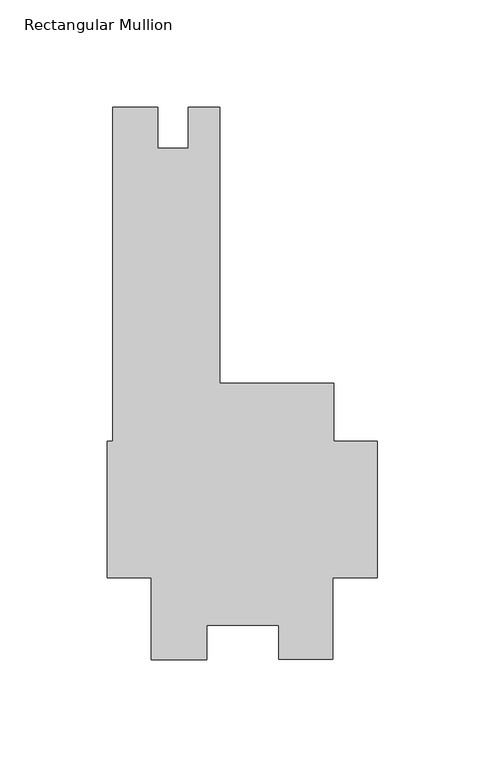
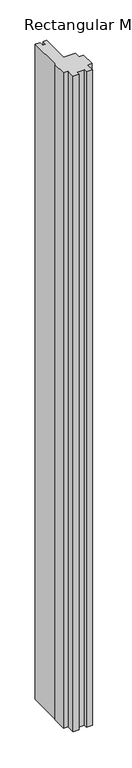
"""IFC4 building model written with IfcOpenShell, lengths in millimetres: member geometry, Rectangular Mullion."""

import ifcopenshell
import ifcopenshell.guid

model = None  # the IFC model being written
_history = None  # IfcOwnerHistory: only IFC2X3 demands one
_inside = {}  # id of a spatial element -> (the spatial element, [elements in it])
_under = {}  # id of a project, library or spatial element -> (it, [spatial elements below it])
_declared = {}  # id of a project -> (the project, [libraries it declares])
_typed = {}  # id of a type object -> (the type object, [elements of that type])
_made_of = {}  # id of a material, layer set ... -> (it, [elements and type objects made of it])


def new_model(schema):
    """Start an empty IFC model of exactly this schema.

    Asked for "IFC4X3", IfcOpenShell would pick the latest addendum, in which some entities
    have other attributes; the version numbers below select the first issue.
    IFC2X3 requires an IfcOwnerHistory on every rooted entity: one is made here for all.
    """
    global model, _history
    if schema == "IFC4X3":
        model = ifcopenshell.file(schema_version=(4, 3, 0, 0))
    else:
        model = ifcopenshell.file(schema=schema)
    _inside.clear()
    _under.clear()
    _declared.clear()
    _typed.clear()
    _made_of.clear()
    _history = None
    if model.schema == "IFC2X3":
        org = make("IfcOrganization", Name="unknown")
        user = make(
            "IfcPersonAndOrganization",
            ThePerson=make("IfcPerson", FamilyName="unknown"),
            TheOrganization=org,
        )
        app = make(
            "IfcApplication",
            ApplicationDeveloper=org,
            Version="unknown",
            ApplicationFullName="unknown",
            ApplicationIdentifier="unknown",
        )
        _history = make(
            "IfcOwnerHistory",
            OwningUser=user,
            OwningApplication=app,
            ChangeAction="ADDED",
            CreationDate=0,
        )
    return model


def make(cls, **values):
    """One entity of the class cls with the attributes given. An attribute that is None is left unset."""
    return model.create_entity(
        cls, **{name: value for name, value in values.items() if value is not None}
    )


def rooted(cls, **values):
    """An entity with a GlobalId (a new one), such as an element, a storey or a relation."""
    return make(cls, GlobalId=ifcopenshell.guid.new(), OwnerHistory=_history, **values)


def si_unit(unit_type, name, prefix=None):
    """IfcSIUnit, for example si_unit("LENGTHUNIT", "METRE", prefix="MILLI")."""
    return make("IfcSIUnit", UnitType=unit_type, Prefix=prefix, Name=name)


def assignment(units):
    """IfcUnitAssignment: the units of a project."""
    return None if units is None else make("IfcUnitAssignment", Units=units)


def point(xyz):
    """IfcCartesianPoint."""
    return None if xyz is None else make("IfcCartesianPoint", Coordinates=xyz)


def direction(xyz):
    """IfcDirection."""
    return None if xyz is None else make("IfcDirection", DirectionRatios=xyz)


def frame(location, z_axis=None, x_axis=None):
    """IfcAxis2Placement3D, a coordinate frame: its origin and axes. An axis left out is left unset."""
    return make(
        "IfcAxis2Placement3D",
        Location=point(location),
        Axis=direction(z_axis),
        RefDirection=direction(x_axis),
    )


def origin():
    """The frame at (0, 0, 0) with its axes left unset."""
    return frame((0.0, 0.0, 0.0))


def place(relative_to, where):
    """IfcLocalPlacement: puts the frame where relative to a parent placement (None: the world)."""
    return make(
        "IfcLocalPlacement", PlacementRelTo=relative_to, RelativePlacement=where
    )


def context(
    kind, dimensions, precision=None, world=None, true_north=None, identifier=None
):
    """IfcGeometricRepresentationContext, for example the 3D "Model" context."""
    return make(
        "IfcGeometricRepresentationContext",
        ContextIdentifier=identifier,
        ContextType=kind,
        CoordinateSpaceDimension=dimensions,
        Precision=precision,
        WorldCoordinateSystem=world,
        TrueNorth=true_north,
    )


def project(units=None, contexts=None):
    """IfcProject with its units and contexts."""
    return rooted(
        "IfcProject",
        Name="project",
        RepresentationContexts=contexts,
        UnitsInContext=assignment(units),
    )


def spatial(cls, under=None, at=None, **own):
    """A site, building, storey or space (cls), placed at a placement, below another one or the project."""
    s = rooted(cls, ObjectPlacement=at, **own)
    if under is not None:
        _under.setdefault(under.id(), (under, []))[1].append(s)
    return s


def polyline(points):
    """IfcPolyline through the points."""
    return make("IfcPolyline", Points=[point(p) for p in points])


def outline(outer, holes=None, kind="AREA"):
    """IfcArbitraryClosedProfileDef: a profile drawn as a closed curve; with holes, ...WithVoids."""
    if holes is None:
        return make("IfcArbitraryClosedProfileDef", ProfileType=kind, OuterCurve=outer)
    return make(
        "IfcArbitraryProfileDefWithVoids",
        ProfileType=kind,
        OuterCurve=outer,
        InnerCurves=holes,
    )


def extrude(swept, where, along, depth):
    """IfcExtrudedAreaSolid: the profile swept, set in the frame where, extruded along a direction by depth."""
    return make(
        "IfcExtrudedAreaSolid",
        SweptArea=swept,
        Position=where,
        ExtrudedDirection=direction(along),
        Depth=depth,
    )


def shape(context_of_items, identifier, shape_type, items):
    """IfcShapeRepresentation: the items that make up one representation, for example the "Body"."""
    return make(
        "IfcShapeRepresentation",
        ContextOfItems=context_of_items,
        RepresentationIdentifier=identifier,
        RepresentationType=shape_type,
        Items=items,
    )


def source(mapping_origin, context_of_items, identifier, shape_type, items):
    """IfcRepresentationMap: a shape defined once, which mapped items show again and again."""
    return make(
        "IfcRepresentationMap",
        MappingOrigin=mapping_origin,
        MappedRepresentation=shape(context_of_items, identifier, shape_type, items),
    )


def transform(
    local_origin,
    x_axis=None,
    y_axis=None,
    z_axis=None,
    scale=None,
    scale2=None,
    scale3=None,
    uniform=True,
):
    """IfcCartesianTransformationOperator3D, or its non-uniform kind. x_axis, y_axis, z_axis: its Axis1, 2, 3."""
    if uniform:
        return make(
            "IfcCartesianTransformationOperator3D",
            Axis1=direction(x_axis),
            Axis2=direction(y_axis),
            LocalOrigin=point(local_origin),
            Scale=scale,
            Axis3=direction(z_axis),
        )
    return make(
        "IfcCartesianTransformationOperator3DnonUniform",
        Axis1=direction(x_axis),
        Axis2=direction(y_axis),
        LocalOrigin=point(local_origin),
        Scale=scale,
        Axis3=direction(z_axis),
        Scale2=scale2,
        Scale3=scale3,
    )


def mapped(mapping_source, mapping_target):
    """IfcMappedItem: shows the shape of a source again, moved by a transform."""
    return make(
        "IfcMappedItem", MappingSource=mapping_source, MappingTarget=mapping_target
    )


def made_of(thing, what):
    """Note that an element or type object is made of a material, layer set ...; save() writes the relation."""
    if what is not None:
        _made_of.setdefault(what.id(), (what, []))[1].append(thing)
    return thing


def element(
    cls,
    number,
    at=None,
    inside=None,
    cuts=None,
    type_object=None,
    material=None,
    context=None,
    identifier="Body",
    shape_type=None,
    held_by="IfcProductDefinitionShape",
    body=None,
    shapes=None,
    **own,
):
    """One element of the class cls, such as IfcWall. Its Tag is "e" and its number.

    at: its placement. inside: the storey or other place that contains it. cuts: it is an
    opening in that element (IfcRelVoidsElement). A single representation is given by context,
    identifier, shape_type and body (its items); several are given by shapes. held_by: the class
    of the entity that holds the representations. save() writes the other relations.
    """
    e = rooted(cls, Tag="e%d" % number, ObjectPlacement=at, **own)
    if body is not None:
        shapes = [shape(context, identifier, shape_type, body)]
    if shapes is not None:
        e.Representation = make(held_by, Representations=shapes)
    if inside is not None:
        _inside.setdefault(inside.id(), (inside, []))[1].append(e)
    if cuts is not None:
        rooted(
            "IfcRelVoidsElement", RelatingBuildingElement=cuts, RelatedOpeningElement=e
        )
    if type_object is not None:
        _typed.setdefault(type_object.id(), (type_object, []))[1].append(e)
    return made_of(e, material)


def aggregate(whole, parts):
    """IfcRelAggregates: a whole, such as a stair, and the parts it consists of."""
    return rooted("IfcRelAggregates", RelatingObject=whole, RelatedObjects=parts)


def save(model, path):
    """Write the relations noted so far, then the file.

    IfcRelAggregates (storeys below a building ...), IfcRelContainedInSpatialStructure (elements
    in a storey), IfcRelDefinesByType, IfcRelAssociatesMaterial and IfcRelDeclares: one each for
    every whole, place, type object, material and project.
    """
    for whole, parts in _under.values():
        aggregate(whole, parts)
    for where, things in _inside.values():
        rooted(
            "IfcRelContainedInSpatialStructure",
            RelatedElements=things,
            RelatingStructure=where,
        )
    for kind, things in _typed.values():
        rooted("IfcRelDefinesByType", RelatedObjects=things, RelatingType=kind)
    for what, things in _made_of.values():
        rooted("IfcRelAssociatesMaterial", RelatedObjects=things, RelatingMaterial=what)
    for by, libraries in _declared.values():
        rooted("IfcRelDeclares", RelatingContext=by, RelatedDefinitions=libraries)
    model.write(path)


def rectangular_mullion_a17dd304(model_context):
    return source(origin(), model_context, "Body", "SweptSolid", [
        extrude(outline(polyline([(-105.2447888, -89.9977773), (-125.7808, -89.9977773), (-125.7808, -26.4977773), (-123.2153989, -26.4977773), (-123.2153989, 129.0772241), (-102.3365923, 129.0772241), (-102.3365923, 110.0526253), (-88.0236989, 110.0526253), (-88.0236989, 129.0772253), (-73.4313989, 129.0772253), (-73.4313989, 0.4770226), (-20.2552305, 0.4770226), (-20.2552305, -26.4977774), (0.0, -26.4977774), (0.0, -89.9977774), (-20.6735973, -89.9977774), (-20.6735973, -128.0977774), (-46.0021787, -128.0977774), (-46.0021787, -112.2078808), (-79.3689318, -112.2078808), (-79.3689318, -128.1209808), (-105.2447888, -128.1209808), (-105.2447888, -89.9977773)])), frame((0.0, 0.0, -3048.0), z_axis=(0.0, 0.0, 1.0), x_axis=(1.0, 0.0, 0.0)), (0.0, 0.0, 1.0), 3048.0),
    ])


if __name__ == "__main__":
    model = new_model("IFC4")
    model_context = context("Model", 3, world=origin())
    ifc_project = project(units=[si_unit("LENGTHUNIT", "METRE", prefix="MILLI")], contexts=[model_context])
    site = spatial("IfcSite", under=ifc_project)
    building = spatial("IfcBuilding", under=site)
    placement = place(None, origin())
    rectangular_mullion_shape = rectangular_mullion_a17dd304(model_context)
    element("IfcMember", 1, ObjectType="Rectangular Mullion", at=placement, inside=building, context=model_context, shape_type="MappedRepresentation", body=[
        mapped(rectangular_mullion_shape, transform((0.0, 0.0, 0.0), x_axis=(1.0, 0.0, 0.0), y_axis=(0.0, 1.0, 0.0), z_axis=(0.0, 0.0, 1.0))),
    ])
    save(model, "model.ifc")
